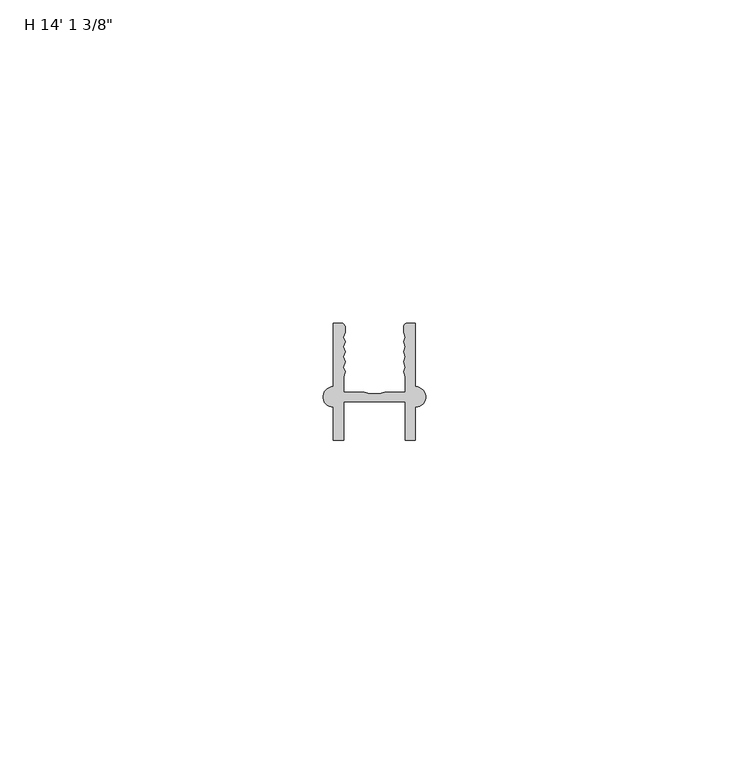
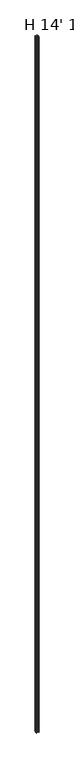
"""IFC4 building model written with IfcOpenShell, lengths in millimetres: proxy geometry."""

from ifc_helpers import new_model, si_unit, point, frame_2d, origin, origin_with_axes, place, context, project, spatial, polyline, circle_curve, trimmed, segment, composite_curve, outline, extrude, source, transform, mapped, element, save


def proxy_dae87fff(model_context):
    return source(origin(), model_context, "Body", "SweptSolid", [
        extrude(outline(composite_curve([segment(polyline([(1.5875, 8.249782), (1.5875, 18.085932), (2.8080426, 18.085932)]), True, "CONTINUOUS"), segment(trimmed(circle_curve(frame_2d((2.8080426, 17.4877721)), 0.5981599), [point((2.8080426, 18.085932))], [point((3.4062025, 17.4877721))], False, "CARTESIAN"), True, "CONTINUOUS"), segment(polyline([(3.4062025, 17.4877721), (3.4062025, 16.6930116), (3.1452081, 15.9350289), (3.4062025, 15.1770461), (3.1452081, 14.4190633), (3.4062025, 13.6610805), (3.1452081, 12.9030978), (3.4062025, 12.145115), (3.1452081, 11.287131), (3.4062025, 10.5291482), (3.175, 9.769101), (3.175, 7.424282), (6.35, 7.424282), (7.1888169, 7.1691181), (8.6861831, 7.1691181), (9.525, 7.424282), (12.7, 7.424282), (12.7, 9.769101), (12.4687975, 10.5291482), (12.7297919, 11.287131), (12.4687975, 12.145115), (12.7297919, 12.9030978), (12.4687975, 13.6610805), (12.7297919, 14.4190633), (12.4687975, 15.1770461), (12.7297919, 15.9350289), (12.4687975, 16.6930116), (12.4687975, 17.4877721)]), True, "CONTINUOUS"), segment(trimmed(circle_curve(frame_2d((13.0669574, 17.4877721)), 0.5981599), [point((12.4687975, 17.4877721))], [point((13.0669574, 18.085932))], False, "CARTESIAN"), True, "CONTINUOUS"), segment(polyline([(13.0669574, 18.085932), (14.2875, 18.085932), (14.2875, 8.249782)]), True, "CONTINUOUS"), segment(trimmed(circle_curve(frame_2d((14.2875, 6.662282)), 1.5875), [point((14.2875, 8.249782))], [point((14.2875, 5.074782))], False, "CARTESIAN"), True, "CONTINUOUS"), segment(polyline([(14.2875, 5.074782), (14.2875, 0.0), (12.7, 0.0), (12.7, 5.900282), (3.175, 5.900282), (3.175, 0.0), (1.5875, 0.0), (1.5875, 5.074782)]), True, "CONTINUOUS"), segment(trimmed(circle_curve(frame_2d((1.5875, 6.662282)), 1.5875), [point((1.5875, 5.074782))], [point((1.5875, 8.249782))], False, "CARTESIAN"), True, "CONTINUOUS")], self_intersect=False)), origin_with_axes(), (0.0, 0.0, 1.0), 4302.125),
    ])


if __name__ == "__main__":
    model = new_model("IFC4")
    model_context = context("Model", 3, world=origin())
    ifc_project = project(units=[si_unit("LENGTHUNIT", "METRE", prefix="MILLI")], contexts=[model_context])
    site = spatial("IfcSite", under=ifc_project)
    building = spatial("IfcBuilding", under=site)
    placement = place(None, origin())
    proxy_shape = proxy_dae87fff(model_context)
    element("IfcBuildingElementProxy", 1, Name="H 14' 1 3/8\"", ObjectType="H 14' 1 3/8\"", at=placement, inside=building, context=model_context, shape_type="MappedRepresentation", body=[
        mapped(proxy_shape, transform((0.0, 0.0, 0.0), x_axis=(1.0, 0.0, 0.0), y_axis=(0.0, 1.0, 0.0), z_axis=(0.0, 0.0, 1.0))),
    ])
    save(model, "model.ifc")
